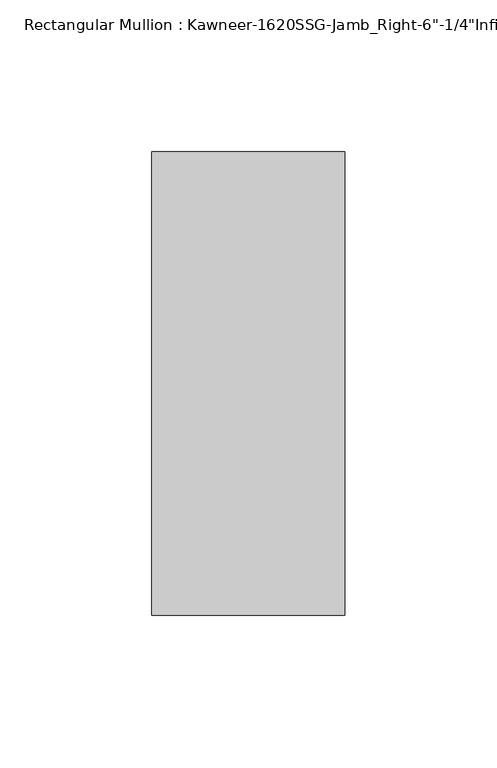
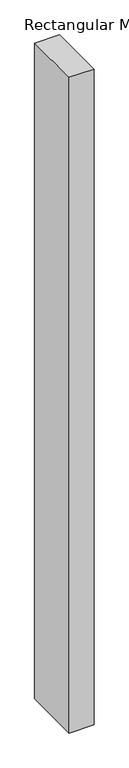
"""IFC4 building model written with IfcOpenShell, lengths in millimetres: member geometry."""

from ifc_helpers import new_model, si_unit, frame, origin, place, context, project, spatial, polyline, outline, extrude, source, transform, mapped, element, save


def member_fd00f073(model_context):
    return source(origin(), model_context, "Body", "SweptSolid", [
        extrude(outline(polyline([(-63.5, 28.575), (0.0, 28.575), (0.0, -123.825), (-63.5, -123.825), (-63.5, 28.575)])), frame((0.0, 0.0, -1765.3), z_axis=(0.0, 0.0, 1.0), x_axis=(1.0, 0.0, 0.0)), (0.0, 0.0, 1.0), 1765.3),
    ])


if __name__ == "__main__":
    model = new_model("IFC4")
    model_context = context("Model", 3, world=origin())
    ifc_project = project(units=[si_unit("LENGTHUNIT", "METRE", prefix="MILLI")], contexts=[model_context])
    site = spatial("IfcSite", under=ifc_project)
    building = spatial("IfcBuilding", under=site)
    placement = place(None, origin())
    member_shape = member_fd00f073(model_context)
    element("IfcMember", 1, ObjectType="Rectangular Mullion : Kawneer-1620SSG-Jamb_Right-6\"-1/4\"Infill", at=placement, inside=building, context=model_context, shape_type="MappedRepresentation", body=[
        mapped(member_shape, transform((0.0, 0.0, 0.0), x_axis=(1.0, 0.0, 0.0), y_axis=(0.0, 1.0, 0.0), z_axis=(0.0, 0.0, 1.0))),
    ])
    save(model, "model.ifc")
